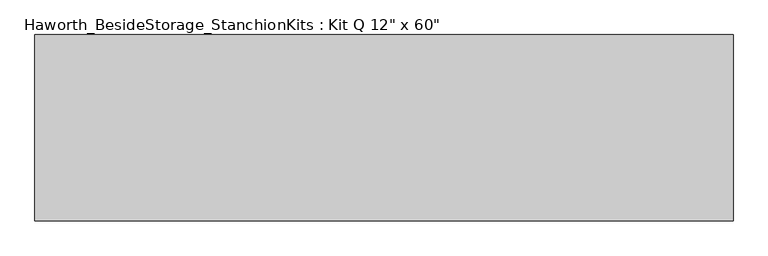
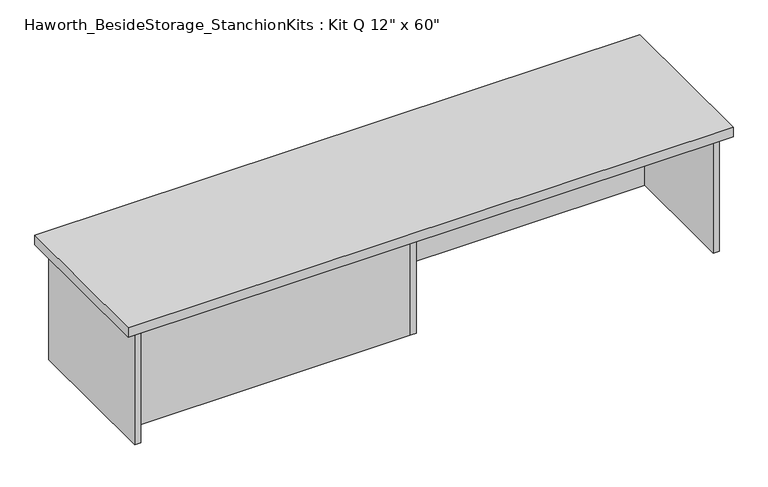
"""IFC4 building model written with IfcOpenShell, lengths in millimetres: furniture geometry."""

from ifc_helpers import new_model, si_unit, frame, origin, place, context, project, spatial, polyline, outline, extrude, source, transform, mapped, element, save


def furniture_730c4582(model_context):
    return source(origin(), model_context, "Body", "SweptSolid", [
        extrude(outline(polyline([(923.925, 0.0), (923.925, -406.4), (-600.075, -406.4), (-600.075, 0.0), (923.925, 0.0)])), frame((0.0, 0.0, 736.6), z_axis=(0.0, 0.0, 1.0), x_axis=(1.0, 0.0, 0.0)), (0.0, 0.0, 1.0), 25.4),
        extrude(outline(polyline([(169.8625, -76.2), (882.65, -76.2), (882.65, -92.075), (169.8625, -92.075), (169.8625, -76.2)])), frame((0.0, 0.0, 431.8), z_axis=(0.0, 0.0, 1.0), x_axis=(1.0, 0.0, 0.0)), (0.0, 0.0, 1.0), 304.8),
        extrude(outline(polyline([(153.9875, -314.325), (153.9875, -330.2), (-558.8, -330.2), (-558.8, -314.325), (153.9875, -314.325)])), frame((0.0, 0.0, 431.8), z_axis=(0.0, 0.0, 1.0), x_axis=(1.0, 0.0, 0.0)), (0.0, 0.0, 1.0), 304.8),
        extrude(outline(polyline([(169.8625, -330.2), (153.9875, -330.2), (153.9875, -76.2), (169.8625, -76.2), (169.8625, -330.2)])), frame((0.0, 0.0, 431.8), z_axis=(0.0, 0.0, 1.0), x_axis=(1.0, 0.0, 0.0)), (0.0, 0.0, 1.0), 304.8),
        extrude(outline(polyline([(898.525, -390.525), (882.65, -390.525), (882.65, -15.875), (898.525, -15.875), (898.525, -390.525)])), frame((0.0, 0.0, 431.8), z_axis=(0.0, 0.0, 1.0), x_axis=(1.0, 0.0, 0.0)), (0.0, 0.0, 1.0), 304.8),
        extrude(outline(polyline([(-558.8, -390.525), (-574.675, -390.525), (-574.675, -15.875), (-558.8, -15.875), (-558.8, -390.525)])), frame((0.0, 0.0, 431.8), z_axis=(0.0, 0.0, 1.0), x_axis=(1.0, 0.0, 0.0)), (0.0, 0.0, 1.0), 304.8),
    ])


if __name__ == "__main__":
    model = new_model("IFC4")
    model_context = context("Model", 3, world=origin())
    ifc_project = project(units=[si_unit("LENGTHUNIT", "METRE", prefix="MILLI")], contexts=[model_context])
    site = spatial("IfcSite", under=ifc_project)
    building = spatial("IfcBuilding", under=site)
    placement = place(None, origin())
    furniture_shape = furniture_730c4582(model_context)
    element("IfcFurniture", 1, ObjectType="Haworth_BesideStorage_StanchionKits : Kit Q 12\" x 60\"", at=placement, inside=building, context=model_context, shape_type="MappedRepresentation", body=[
        mapped(furniture_shape, transform((0.0, 0.0, 0.0), x_axis=(1.0, 0.0, 0.0), y_axis=(0.0, 1.0, 0.0), z_axis=(0.0, 0.0, 1.0))),
    ])
    save(model, "model.ifc")
